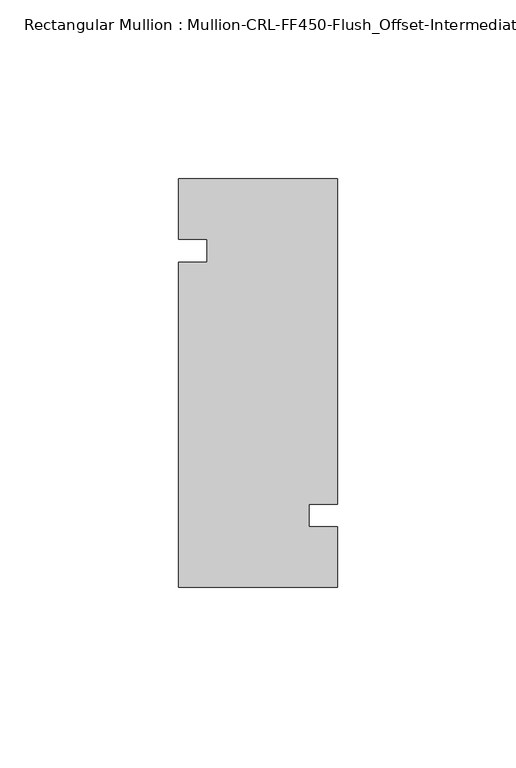
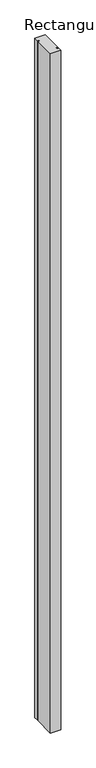
"""IFC4 building model written with IfcOpenShell, lengths in millimetres: member geometry, Rectangular Mullion : Mullion-CRL-FF450-Flush_Offset-Intermediate_Vertical."""

import ifcopenshell
import ifcopenshell.guid

model = None  # the IFC model being written
_history = None  # IfcOwnerHistory: only IFC2X3 demands one
_inside = {}  # id of a spatial element -> (the spatial element, [elements in it])
_under = {}  # id of a project, library or spatial element -> (it, [spatial elements below it])
_declared = {}  # id of a project -> (the project, [libraries it declares])
_typed = {}  # id of a type object -> (the type object, [elements of that type])
_made_of = {}  # id of a material, layer set ... -> (it, [elements and type objects made of it])


def new_model(schema):
    """Start an empty IFC model of exactly this schema.

    Asked for "IFC4X3", IfcOpenShell would pick the latest addendum, in which some entities
    have other attributes; the version numbers below select the first issue.
    IFC2X3 requires an IfcOwnerHistory on every rooted entity: one is made here for all.
    """
    global model, _history
    if schema == "IFC4X3":
        model = ifcopenshell.file(schema_version=(4, 3, 0, 0))
    else:
        model = ifcopenshell.file(schema=schema)
    _inside.clear()
    _under.clear()
    _declared.clear()
    _typed.clear()
    _made_of.clear()
    _history = None
    if model.schema == "IFC2X3":
        org = make("IfcOrganization", Name="unknown")
        user = make(
            "IfcPersonAndOrganization",
            ThePerson=make("IfcPerson", FamilyName="unknown"),
            TheOrganization=org,
        )
        app = make(
            "IfcApplication",
            ApplicationDeveloper=org,
            Version="unknown",
            ApplicationFullName="unknown",
            ApplicationIdentifier="unknown",
        )
        _history = make(
            "IfcOwnerHistory",
            OwningUser=user,
            OwningApplication=app,
            ChangeAction="ADDED",
            CreationDate=0,
        )
    return model


def make(cls, **values):
    """One entity of the class cls with the attributes given. An attribute that is None is left unset."""
    return model.create_entity(
        cls, **{name: value for name, value in values.items() if value is not None}
    )


def rooted(cls, **values):
    """An entity with a GlobalId (a new one), such as an element, a storey or a relation."""
    return make(cls, GlobalId=ifcopenshell.guid.new(), OwnerHistory=_history, **values)


def si_unit(unit_type, name, prefix=None):
    """IfcSIUnit, for example si_unit("LENGTHUNIT", "METRE", prefix="MILLI")."""
    return make("IfcSIUnit", UnitType=unit_type, Prefix=prefix, Name=name)


def assignment(units):
    """IfcUnitAssignment: the units of a project."""
    return None if units is None else make("IfcUnitAssignment", Units=units)


def point(xyz):
    """IfcCartesianPoint."""
    return None if xyz is None else make("IfcCartesianPoint", Coordinates=xyz)


def direction(xyz):
    """IfcDirection."""
    return None if xyz is None else make("IfcDirection", DirectionRatios=xyz)


def frame(location, z_axis=None, x_axis=None):
    """IfcAxis2Placement3D, a coordinate frame: its origin and axes. An axis left out is left unset."""
    return make(
        "IfcAxis2Placement3D",
        Location=point(location),
        Axis=direction(z_axis),
        RefDirection=direction(x_axis),
    )


def origin():
    """The frame at (0, 0, 0) with its axes left unset."""
    return frame((0.0, 0.0, 0.0))


def place(relative_to, where):
    """IfcLocalPlacement: puts the frame where relative to a parent placement (None: the world)."""
    return make(
        "IfcLocalPlacement", PlacementRelTo=relative_to, RelativePlacement=where
    )


def context(
    kind, dimensions, precision=None, world=None, true_north=None, identifier=None
):
    """IfcGeometricRepresentationContext, for example the 3D "Model" context."""
    return make(
        "IfcGeometricRepresentationContext",
        ContextIdentifier=identifier,
        ContextType=kind,
        CoordinateSpaceDimension=dimensions,
        Precision=precision,
        WorldCoordinateSystem=world,
        TrueNorth=true_north,
    )


def project(units=None, contexts=None):
    """IfcProject with its units and contexts."""
    return rooted(
        "IfcProject",
        Name="project",
        RepresentationContexts=contexts,
        UnitsInContext=assignment(units),
    )


def spatial(cls, under=None, at=None, **own):
    """A site, building, storey or space (cls), placed at a placement, below another one or the project."""
    s = rooted(cls, ObjectPlacement=at, **own)
    if under is not None:
        _under.setdefault(under.id(), (under, []))[1].append(s)
    return s


def polyline(points):
    """IfcPolyline through the points."""
    return make("IfcPolyline", Points=[point(p) for p in points])


def outline(outer, holes=None, kind="AREA"):
    """IfcArbitraryClosedProfileDef: a profile drawn as a closed curve; with holes, ...WithVoids."""
    if holes is None:
        return make("IfcArbitraryClosedProfileDef", ProfileType=kind, OuterCurve=outer)
    return make(
        "IfcArbitraryProfileDefWithVoids",
        ProfileType=kind,
        OuterCurve=outer,
        InnerCurves=holes,
    )


def extrude(swept, where, along, depth):
    """IfcExtrudedAreaSolid: the profile swept, set in the frame where, extruded along a direction by depth."""
    return make(
        "IfcExtrudedAreaSolid",
        SweptArea=swept,
        Position=where,
        ExtrudedDirection=direction(along),
        Depth=depth,
    )


def shape(context_of_items, identifier, shape_type, items):
    """IfcShapeRepresentation: the items that make up one representation, for example the "Body"."""
    return make(
        "IfcShapeRepresentation",
        ContextOfItems=context_of_items,
        RepresentationIdentifier=identifier,
        RepresentationType=shape_type,
        Items=items,
    )


def source(mapping_origin, context_of_items, identifier, shape_type, items):
    """IfcRepresentationMap: a shape defined once, which mapped items show again and again."""
    return make(
        "IfcRepresentationMap",
        MappingOrigin=mapping_origin,
        MappedRepresentation=shape(context_of_items, identifier, shape_type, items),
    )


def transform(
    local_origin,
    x_axis=None,
    y_axis=None,
    z_axis=None,
    scale=None,
    scale2=None,
    scale3=None,
    uniform=True,
):
    """IfcCartesianTransformationOperator3D, or its non-uniform kind. x_axis, y_axis, z_axis: its Axis1, 2, 3."""
    if uniform:
        return make(
            "IfcCartesianTransformationOperator3D",
            Axis1=direction(x_axis),
            Axis2=direction(y_axis),
            LocalOrigin=point(local_origin),
            Scale=scale,
            Axis3=direction(z_axis),
        )
    return make(
        "IfcCartesianTransformationOperator3DnonUniform",
        Axis1=direction(x_axis),
        Axis2=direction(y_axis),
        LocalOrigin=point(local_origin),
        Scale=scale,
        Axis3=direction(z_axis),
        Scale2=scale2,
        Scale3=scale3,
    )


def mapped(mapping_source, mapping_target):
    """IfcMappedItem: shows the shape of a source again, moved by a transform."""
    return make(
        "IfcMappedItem", MappingSource=mapping_source, MappingTarget=mapping_target
    )


def made_of(thing, what):
    """Note that an element or type object is made of a material, layer set ...; save() writes the relation."""
    if what is not None:
        _made_of.setdefault(what.id(), (what, []))[1].append(thing)
    return thing


def element(
    cls,
    number,
    at=None,
    inside=None,
    cuts=None,
    type_object=None,
    material=None,
    context=None,
    identifier="Body",
    shape_type=None,
    held_by="IfcProductDefinitionShape",
    body=None,
    shapes=None,
    **own,
):
    """One element of the class cls, such as IfcWall. Its Tag is "e" and its number.

    at: its placement. inside: the storey or other place that contains it. cuts: it is an
    opening in that element (IfcRelVoidsElement). A single representation is given by context,
    identifier, shape_type and body (its items); several are given by shapes. held_by: the class
    of the entity that holds the representations. save() writes the other relations.
    """
    e = rooted(cls, Tag="e%d" % number, ObjectPlacement=at, **own)
    if body is not None:
        shapes = [shape(context, identifier, shape_type, body)]
    if shapes is not None:
        e.Representation = make(held_by, Representations=shapes)
    if inside is not None:
        _inside.setdefault(inside.id(), (inside, []))[1].append(e)
    if cuts is not None:
        rooted(
            "IfcRelVoidsElement", RelatingBuildingElement=cuts, RelatedOpeningElement=e
        )
    if type_object is not None:
        _typed.setdefault(type_object.id(), (type_object, []))[1].append(e)
    return made_of(e, material)


def aggregate(whole, parts):
    """IfcRelAggregates: a whole, such as a stair, and the parts it consists of."""
    return rooted("IfcRelAggregates", RelatingObject=whole, RelatedObjects=parts)


def save(model, path):
    """Write the relations noted so far, then the file.

    IfcRelAggregates (storeys below a building ...), IfcRelContainedInSpatialStructure (elements
    in a storey), IfcRelDefinesByType, IfcRelAssociatesMaterial and IfcRelDeclares: one each for
    every whole, place, type object, material and project.
    """
    for whole, parts in _under.values():
        aggregate(whole, parts)
    for where, things in _inside.values():
        rooted(
            "IfcRelContainedInSpatialStructure",
            RelatedElements=things,
            RelatingStructure=where,
        )
    for kind, things in _typed.values():
        rooted("IfcRelDefinesByType", RelatedObjects=things, RelatingType=kind)
    for what, things in _made_of.values():
        rooted("IfcRelAssociatesMaterial", RelatedObjects=things, RelatingMaterial=what)
    for by, libraries in _declared.values():
        rooted("IfcRelDeclares", RelatingContext=by, RelatedDefinitions=libraries)
    model.write(path)


def rectangular_mullion_mullion_crl_ff450_flush_offset_b8bfbac1(model_context):
    return source(origin(), model_context, "Body", "SweptSolid", [
        extrude(outline(polyline([(-44.4500401, -3.1555912), (-36.5125401, -3.1555912), (-36.5125401, 3.1944088), (-44.4500401, 3.1944088), (-44.4500401, 20.160815), (0.0, 20.160815), (0.0, -70.8255982), (-7.9375, -70.8255982), (-7.9375, -77.1937717), (0.0, -77.1937717), (0.0, -94.139185), (-44.4500401, -94.139185), (-44.4500401, -3.1555912)])), frame((0.0, 0.0, -3057.525), z_axis=(0.0, 0.0, 1.0), x_axis=(1.0, 0.0, 0.0)), (0.0, 0.0, 1.0), 3057.525),
    ])


if __name__ == "__main__":
    model = new_model("IFC4")
    model_context = context("Model", 3, world=origin())
    ifc_project = project(units=[si_unit("LENGTHUNIT", "METRE", prefix="MILLI")], contexts=[model_context])
    site = spatial("IfcSite", under=ifc_project)
    building = spatial("IfcBuilding", under=site)
    placement = place(None, origin())
    rectangular_mullion_mullion_crl_ff450_flush_offset_shape = rectangular_mullion_mullion_crl_ff450_flush_offset_b8bfbac1(model_context)
    element("IfcMember", 1, ObjectType="Rectangular Mullion : Mullion-CRL-FF450-Flush_Offset-Intermediate_Vertical", at=placement, inside=building, context=model_context, shape_type="MappedRepresentation", body=[
        mapped(rectangular_mullion_mullion_crl_ff450_flush_offset_shape, transform((0.0, 0.0, 0.0), x_axis=(1.0, 0.0, 0.0), y_axis=(0.0, 1.0, 0.0), z_axis=(0.0, 0.0, 1.0))),
    ])
    save(model, "model.ifc")
